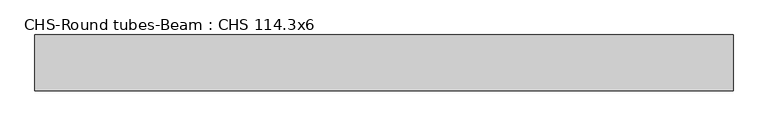
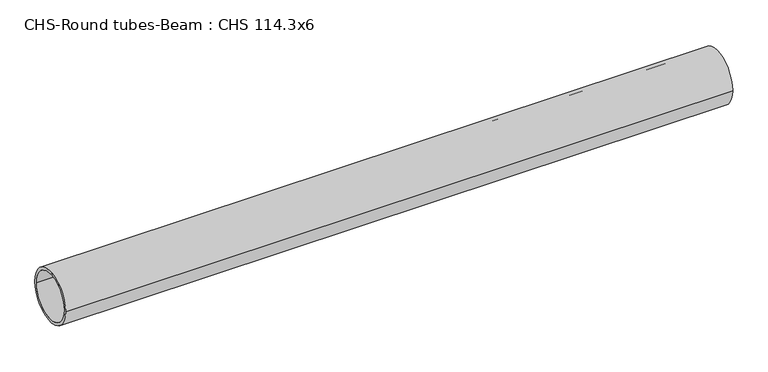
"""IFC4 building model written with IfcOpenShell, lengths in millimetres: beam geometry, CHS-Round tubes-Beam : CHS 114.3x6."""

from ifc_helpers import new_model, si_unit, point, frame, origin, origin_2d, place, context, project, spatial, circle_curve, trimmed, segment, composite_curve, outline, extrude, source, transform, mapped, element, save


def chs_round_tubes_beam_chs_114_3x6_e08cfea0(model_context):
    return source(origin(), model_context, "Body", "SweptSolid", [
        extrude(outline(composite_curve([segment(trimmed(circle_curve(origin_2d(), 57.15), [point((57.15, 0.0))], [point((-57.15, 0.0))], False, "CARTESIAN"), True, "CONTINUOUS"), segment(trimmed(circle_curve(origin_2d(), 57.15), [point((-57.15, 0.0))], [point((57.15, 0.0))], False, "CARTESIAN"), True, "CONTINUOUS")], self_intersect=False), holes=[composite_curve([segment(trimmed(circle_curve(origin_2d(), 51.15), [point((51.15, 0.0))], [point((-51.15, 0.0))], True, "CARTESIAN"), True, "CONTINUOUS"), segment(trimmed(circle_curve(origin_2d(), 51.15), [point((-51.15, 0.0))], [point((51.15, 0.0))], True, "CARTESIAN"), True, "CONTINUOUS")], self_intersect=False)]), frame((-702.4622215, 0.0, 0.0), z_axis=(1.0, 0.0, 0.0), x_axis=(0.0, 1.0, 0.0)), (0.0, 0.0, 1.0), 1431.3182442),
    ])


if __name__ == "__main__":
    model = new_model("IFC4")
    model_context = context("Model", 3, world=origin())
    ifc_project = project(units=[si_unit("LENGTHUNIT", "METRE", prefix="MILLI")], contexts=[model_context])
    site = spatial("IfcSite", under=ifc_project)
    building = spatial("IfcBuilding", under=site)
    placement = place(None, origin())
    chs_round_tubes_beam_chs_114_3x6_shape = chs_round_tubes_beam_chs_114_3x6_e08cfea0(model_context)
    element("IfcBeam", 1, ObjectType="CHS-Round tubes-Beam : CHS 114.3x6", at=placement, inside=building, context=model_context, shape_type="MappedRepresentation", body=[
        mapped(chs_round_tubes_beam_chs_114_3x6_shape, transform((0.0, 0.0, 0.0), x_axis=(1.0, 0.0, 0.0), y_axis=(0.0, 1.0, 0.0), z_axis=(0.0, 0.0, 1.0))),
    ])
    save(model, "model.ifc")
